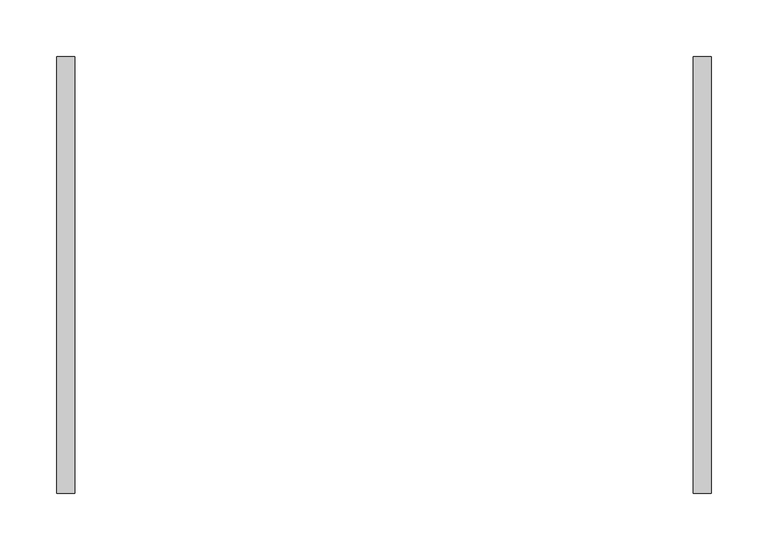
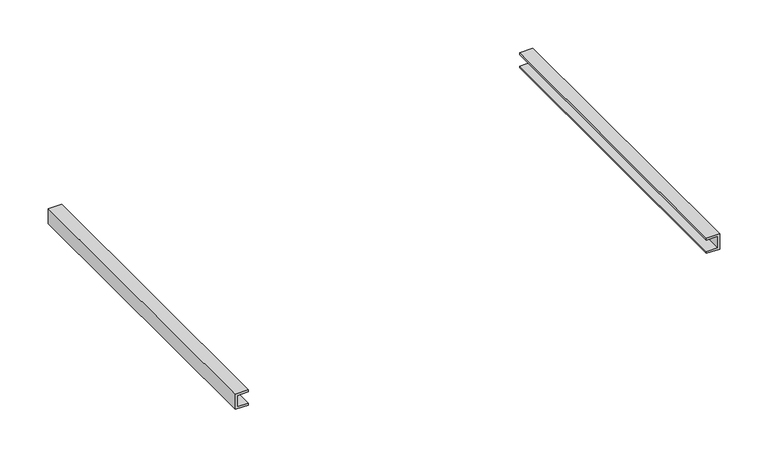
"""IFC4 building model written with IfcOpenShell, lengths in millimetres: furniture geometry."""

from ifc_helpers import new_model, si_unit, frame, origin, place, context, project, spatial, polyline, outline, extrude, source, transform, mapped, element, save


def furniture_e3ee1c42(model_context):
    return source(origin(), model_context, "Body", "SweptSolid", [
        extrude(outline(polyline([(466.79104, -273.05), (469.17229, -273.05), (469.17229, -286.54375), (483.45979, -286.54375), (483.45979, -273.05), (485.84104, -273.05), (485.84104, -288.925), (466.79104, -288.925), (466.79104, -273.05)])), frame((0.0, -385.7625, 0.0), z_axis=(0.0, 1.0, 0.0), x_axis=(0.0, 0.0, 1.0)), (0.0, 0.0, 1.0), 385.7625),
        extrude(outline(polyline([(466.79104, 273.05), (466.79104, 288.925), (485.84104, 288.925), (485.84104, 273.05), (483.45979, 273.05), (483.45979, 286.54375), (469.17229, 286.54375), (469.17229, 273.05), (466.79104, 273.05)])), frame((0.0, -385.7625, 0.0), z_axis=(0.0, 1.0, 0.0), x_axis=(0.0, 0.0, 1.0)), (0.0, 0.0, 1.0), 385.7625),
    ])


if __name__ == "__main__":
    model = new_model("IFC4")
    model_context = context("Model", 3, world=origin())
    ifc_project = project(units=[si_unit("LENGTHUNIT", "METRE", prefix="MILLI")], contexts=[model_context])
    site = spatial("IfcSite", under=ifc_project)
    building = spatial("IfcBuilding", under=site)
    placement = place(None, origin())
    furniture_shape = furniture_e3ee1c42(model_context)
    element("IfcFurniture", 1, at=placement, inside=building, context=model_context, shape_type="MappedRepresentation", body=[
        mapped(furniture_shape, transform((0.0, 0.0, 0.0), x_axis=(1.0, 0.0, 0.0), y_axis=(0.0, 1.0, 0.0), z_axis=(0.0, 0.0, 1.0))),
    ])
    save(model, "model.ifc")
